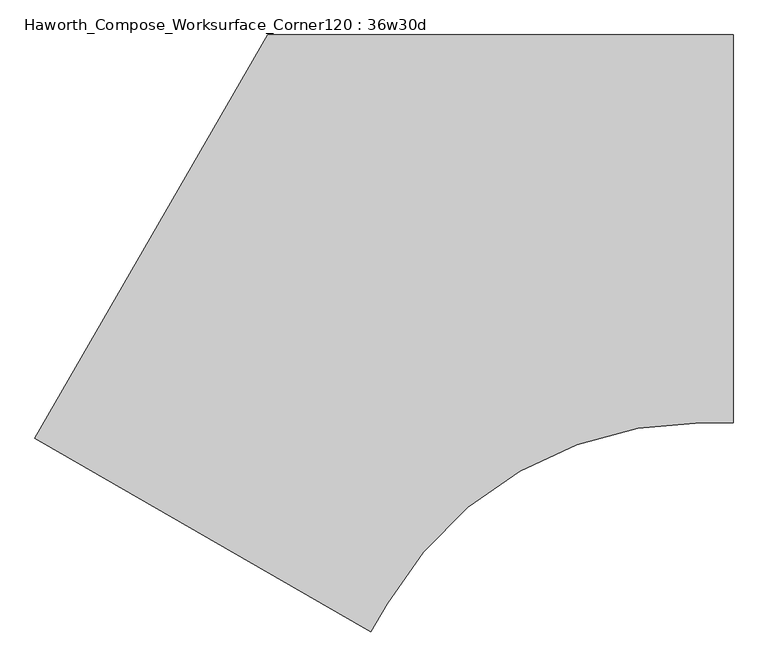
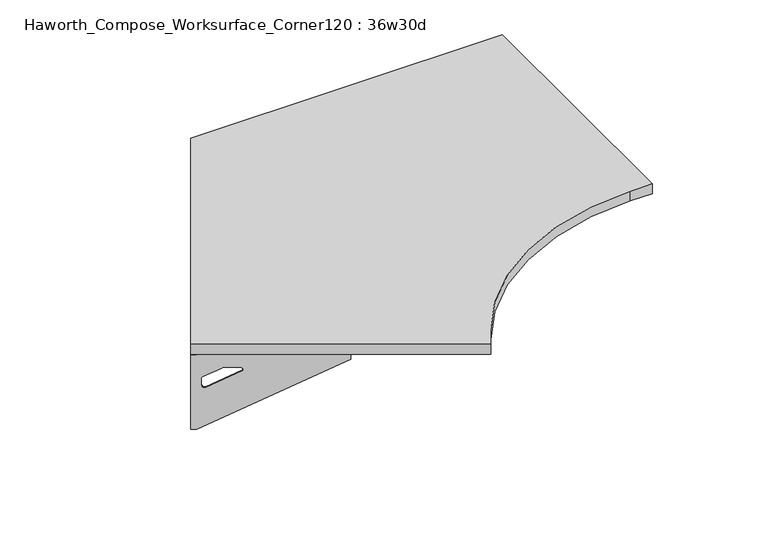
"""IFC4 building model written with IfcOpenShell, lengths in millimetres: furniture geometry, Haworth_Compose_Worksurface_Corner120 : 36w30d."""

from ifc_helpers import new_model, si_unit, point, frame, frame_2d, origin, place, context, project, spatial, polyline, circle_curve, trimmed, segment, composite_curve, outline, extrude, source, transform, mapped, element, save
from ifc_brep_helpers import plane_surface, revolved_surface, advanced_brep


def haworth_compose_worksurface_corner120_36w30d_84d35384(model_context):
    return source(origin(), model_context, "Body", "SolidModel", [
        advanced_brep(
        [(150.01875, 304.8, 473.86875), (150.01875, 288.925, 473.86875), (150.01875, -101.6, 690.1317568), (150.01875, -101.6, 702.46875), (150.01875, 288.925, 702.46875), (150.01875, 304.8, 702.46875), (150.01875, 221.490072, 664.36875), (150.01875, 177.8355284, 664.36875), (150.01875, 175.1564235, 654.7830539), (150.01875, 266.8776173, 603.9901439), (150.01875, 276.225, 609.5881969), (150.01875, 276.225, 633.0985246), (150.01875, 274.4730055, 635.9367776), (150.01875, 224.5663437, 663.5738425), (152.4, 304.8, 473.86875), (152.4, 304.8, 702.46875), (152.4, 288.925, 702.46875), (152.4, 288.925, 704.85), (152.4, -101.6, 704.85), (152.4, -101.6, 690.1317568), (152.4, 288.925, 473.86875), (152.4, 221.490072, 664.36875), (152.4, 224.5663437, 663.5738425), (152.4, 274.4730055, 635.9367776), (152.4, 276.225, 633.0985246), (152.4, 276.225, 609.5881969), (152.4, 266.8776173, 603.9901439), (152.4, 175.1564235, 654.7830539), (152.4, 177.8355284, 664.36875), (111.125, -101.6, 704.85), (111.125, -101.6, 702.46875), (111.125, 288.925, 702.46875), (111.125, 288.925, 704.85)],
        [
            (0, 1),
            (1, 2),
            (2, 3),
            (3, 4),
            (4, 5),
            (5, 0),
            (6, 7),
            (7, 8, circle_curve(frame((150.01875, 177.8355284, 659.2015106), z_axis=(1.0, 0.0, 0.0), x_axis=(0.0, -1.0, 0.0)), 5.1672394)),
            (8, 9),
            (9, 10, circle_curve(frame((150.01875, 269.875, 609.5881969), z_axis=(1.0, 0.0, 0.0), x_axis=(0.0, -1.0, 0.0)), 6.35)),
            (10, 11),
            (11, 12, circle_curve(frame((150.01875, 273.05, 633.0985246), z_axis=(1.0, 0.0, 0.0), x_axis=(0.0, -1.0, 0.0)), 3.175)),
            (12, 13),
            (13, 6, circle_curve(frame((150.01875, 221.490072, 658.01875), z_axis=(1.0, 0.0, 0.0), x_axis=(0.0, -1.0, 0.0)), 6.35)),
            (14, 15),
            (15, 16),
            (16, 17),
            (17, 18),
            (18, 19),
            (19, 20),
            (20, 14),
            (21, 22, circle_curve(frame((152.4, 221.490072, 658.01875), z_axis=(-1.0, 0.0, 0.0), x_axis=(0.0, -1.0, 0.0)), 6.35)),
            (22, 23),
            (23, 24, circle_curve(frame((152.4, 273.05, 633.0985246), z_axis=(-1.0, 0.0, 0.0), x_axis=(0.0, -1.0, 0.0)), 3.175)),
            (24, 25),
            (25, 26, circle_curve(frame((152.4, 269.875, 609.5881969), z_axis=(-1.0, 0.0, 0.0), x_axis=(0.0, -1.0, 0.0)), 6.35)),
            (26, 27),
            (27, 28, circle_curve(frame((152.4, 177.8355284, 659.2015106), z_axis=(-1.0, 0.0, 0.0), x_axis=(0.0, -1.0, 0.0)), 5.1672394)),
            (28, 21),
            (4, 16),
            (15, 5),
            (14, 0),
            (20, 1),
            (19, 2),
            (18, 29),
            (29, 30),
            (30, 3),
            (6, 21),
            (28, 7),
            (9, 26),
            (25, 10),
            (24, 11),
            (23, 12),
            (27, 8),
            (31, 4),
            (30, 31),
            (32, 29),
            (17, 32),
            (31, 32),
            (22, 13),
        ],
        [
            plane_surface(frame((150.01875, 304.8, 473.86875), z_axis=(-1.0, 0.0, 0.0), x_axis=(0.0, 1.0, 0.0))),
            plane_surface(frame((152.4, 304.8, 473.86875), z_axis=(1.0, 0.0, 0.0), x_axis=(0.0, -1.0, 0.0))),
            plane_surface(frame((152.4, -101.6, 702.46875), z_axis=(0.0, 0.0, 1.0), x_axis=(-1.0, 0.0, 0.0))),
            plane_surface(frame((152.4, 304.8, 702.46875), z_axis=(0.0, 1.0, 0.0), x_axis=(-1.0, 0.0, 0.0))),
            plane_surface(frame((152.4, 304.8, 473.86875), z_axis=(0.0, 0.0, -1.0), x_axis=(-1.0, 0.0, 0.0))),
            plane_surface(frame((152.4, 288.925, 473.86875), z_axis=(0.0, -0.4844522351345575, -0.8748177135112957), x_axis=(-1.0, 0.0, 0.0))),
            plane_surface(frame((152.4, -101.6, 690.1317568), z_axis=(0.0, -1.0, 0.0), x_axis=(-1.0, 0.0, 0.0))),
            plane_surface(frame((152.4, 221.490072, 664.36875), z_axis=(0.0, 0.0, -1.0), x_axis=(-1.0, 0.0, 0.0))),
            revolved_surface(polyline([(150.01875, 263.525, 609.5881969), (152.4, 263.525, 609.5881969)]), (152.4, 269.875, 609.5881969), (-1.0, 0.0, 0.0)),
            plane_surface(frame((152.4, 276.225, 609.5881969), z_axis=(0.0, -1.0, 0.0), x_axis=(-1.0, 0.0, 0.0))),
            revolved_surface(polyline([(150.01875, 269.875, 633.0985246), (152.4, 269.875, 633.0985246)]), (152.4, 273.05, 633.0985246), (-1.0, 0.0, 0.0)),
            revolved_surface(polyline([(150.01875, 172.668289, 659.2015106), (152.4, 172.668289, 659.2015106)]), (152.4, 177.8355284, 659.2015106), (-1.0, 0.0, 0.0)),
            plane_surface(frame((152.4, 288.925, 702.46875), z_axis=(0.0, 0.0, -1.0), x_axis=(-1.0, 0.0, 0.0))),
            plane_surface(frame((152.4, 288.925, 704.85), z_axis=(0.0, 0.0, 1.0), x_axis=(1.0, 0.0, 0.0))),
            plane_surface(frame((111.125, 288.925, 704.85), z_axis=(0.0, 1.0, 0.0), x_axis=(0.0, 0.0, -1.0))),
            plane_surface(frame((111.125, -101.6, 704.85), z_axis=(-1.0, 0.0, 0.0), x_axis=(0.0, 0.0, -1.0))),
            plane_surface(frame((152.4, 175.1564235, 654.7830539), z_axis=(0.0, 0.4844522351341526, 0.8748177135115199), x_axis=(-1.0, 0.0, 0.0))),
            plane_surface(frame((152.4, 274.4730055, 635.9367776), z_axis=(0.0, -0.48445223513456226, -0.874817713511293), x_axis=(-1.0, 0.0, 0.0))),
            revolved_surface(polyline([(150.01875, 215.140072, 658.01875), (152.4, 215.140072, 658.01875)]), (152.4, 221.490072, 658.01875), (-1.0, 0.0, 0.0)),
        ],
        [
            (0, [[1, 2, 3, 4, 5, 6], [7, 8, 9, 10, 11, 12, 13, 14]]),
            (1, [[15, 16, 17, 18, 19, 20, 21], [22, 23, 24, 25, 26, 27, 28, 29]]),
            (2, [[-5, 30, -16, 31]]),
            (3, [[-31, -15, 32, -6]]),
            (4, [[-32, -21, 33, -1]]),
            (5, [[-33, -20, 34, -2]]),
            (6, [[-34, -19, 35, 36, 37, -3]]),
            (7, [[38, -29, 39, -7]]),
            (8, [[40, -26, 41, -10]]),
            (9, [[-41, -25, 42, -11]]),
            (10, [[-42, -24, 43, -12]]),
            (11, [[-39, -28, 44, -8]]),
            (12, [[45, -4, -37, 46]]),
            (13, [[47, -35, -18, 48]]),
            (14, [[-17, -30, -45, 49, -48]]),
            (15, [[-36, -47, -49, -46]]),
            (16, [[-44, -27, -40, -9]]),
            (17, [[-43, -23, 50, -13]]),
            (18, [[-50, -22, -38, -14]]),
        ],
    ),
        advanced_brep(
        [(-1218.009375, -485.0314062, 473.86875), (-1218.009375, -485.0314062, 702.46875), (-1204.2612217, -492.9689062, 702.46875), (-866.0566509, -688.2314062, 702.46875), (-866.0566509, -688.2314062, 690.1317568), (-1204.2612217, -492.9689062, 473.86875), (-1145.860861, -526.6863702, 664.36875), (-1148.5249904, -525.1482344, 663.5738425), (-1191.7454274, -500.1949035, 635.9367776), (-1193.2626991, -499.3189062, 633.0985246), (-1193.2626991, -499.3189062, 609.5881969), (-1185.1676282, -503.9925976, 603.9901439), (-1105.7347443, -549.8531945, 654.7830539), (-1108.0549172, -548.513642, 664.36875), (-1219.2, -487.0936292, 473.86875), (-1205.4518467, -495.0311292, 473.86875), (-867.2472759, -690.2936292, 690.1317568), (-867.2472759, -690.2936292, 704.85), (-1205.4518467, -495.0311292, 704.85), (-1205.4518467, -495.0311292, 702.46875), (-1219.2, -487.0936292, 702.46875), (-1147.051486, -528.7485932, 664.36875), (-1109.2455422, -550.575865, 664.36875), (-1106.9253693, -551.9154175, 654.7830539), (-1186.3582532, -506.0548206, 603.9901439), (-1194.4533241, -501.3811292, 609.5881969), (-1194.4533241, -501.3811292, 633.0985246), (-1192.9360524, -502.2571265, 635.9367776), (-1149.7156154, -527.2104574, 663.5738425), (-846.6097759, -654.5484307, 702.46875), (-846.6097759, -654.5484307, 704.85), (-1184.8143467, -459.2859307, 702.46875), (-1184.8143467, -459.2859307, 704.85)],
        [
            (0, 1),
            (1, 2),
            (2, 3),
            (3, 4),
            (4, 5),
            (5, 0),
            (6, 7, circle_curve(frame((-1145.860861, -526.6863702, 658.01875), z_axis=(-0.5000000000000026, -0.8660254037844374, 0.0), x_axis=(0.8660254037844372, -0.5000000000000024, 0.0)), 6.35)),
            (7, 8),
            (8, 9, circle_curve(frame((-1190.5130684, -500.9064062, 633.0985246), z_axis=(-0.5000000000000026, -0.8660254037844374, 0.0), x_axis=(0.8660254037844372, -0.5000000000000024, 0.0)), 3.175)),
            (9, 10),
            (10, 11, circle_curve(frame((-1187.7634378, -502.4939062, 609.5881969), z_axis=(-0.5000000000000026, -0.8660254037844374, 0.0), x_axis=(0.8660254037844372, -0.5000000000000024, 0.0)), 6.35)),
            (11, 12),
            (12, 13, circle_curve(frame((-1108.0549172, -548.513642, 659.2015106), z_axis=(-0.5000000000000026, -0.8660254037844374, 0.0), x_axis=(0.8660254037844372, -0.5000000000000024, 0.0)), 5.1672394)),
            (13, 6),
            (14, 15),
            (15, 16),
            (16, 17),
            (17, 18),
            (18, 19),
            (19, 20),
            (20, 14),
            (21, 22),
            (22, 23, circle_curve(frame((-1109.2455422, -550.575865, 659.2015106), z_axis=(0.5000000000000026, 0.8660254037844374, 0.0), x_axis=(0.8660254037844372, -0.5000000000000024, 0.0)), 5.1672394)),
            (23, 24),
            (24, 25, circle_curve(frame((-1188.9540628, -504.5561292, 609.5881969), z_axis=(0.5000000000000026, 0.8660254037844374, 0.0), x_axis=(0.8660254037844372, -0.5000000000000024, 0.0)), 6.35)),
            (25, 26),
            (26, 27, circle_curve(frame((-1191.7036934, -502.9686292, 633.0985246), z_axis=(0.5000000000000026, 0.8660254037844374, 0.0), x_axis=(0.8660254037844372, -0.5000000000000024, 0.0)), 3.175)),
            (27, 28),
            (28, 21, circle_curve(frame((-1147.051486, -528.7485932, 658.01875), z_axis=(0.5000000000000026, 0.8660254037844374, 0.0), x_axis=(0.8660254037844372, -0.5000000000000024, 0.0)), 6.35)),
            (1, 20),
            (19, 2),
            (0, 14),
            (5, 15),
            (4, 16),
            (3, 29),
            (29, 30),
            (30, 17),
            (13, 22),
            (21, 6),
            (10, 25),
            (24, 11),
            (9, 26),
            (8, 27),
            (12, 23),
            (31, 29),
            (2, 31),
            (32, 18),
            (30, 32),
            (32, 31),
            (7, 28),
        ],
        [
            plane_surface(frame((-1218.009375, -485.0314062, 473.86875), z_axis=(0.5000000000000026, 0.8660254037844373, 0.0), x_axis=(-0.8660254037844373, 0.5000000000000026, 0.0))),
            plane_surface(frame((-1219.2, -487.0936292, 473.86875), z_axis=(-0.5000000000000026, -0.8660254037844373, 0.0), x_axis=(0.8660254037844373, -0.5000000000000026, 0.0))),
            plane_surface(frame((-867.2472759, -690.2936292, 702.46875), z_axis=(0.0, 0.0, 1.0), x_axis=(0.5000000000000011, 0.866025403784438, 0.0))),
            plane_surface(frame((-1219.2, -487.0936292, 702.46875), z_axis=(-0.866025403784438, 0.5000000000000011, 0.0), x_axis=(0.5000000000000011, 0.866025403784438, 0.0))),
            plane_surface(frame((-1219.2, -487.0936292, 473.86875), z_axis=(0.0, 0.0, -1.0), x_axis=(0.5000000000000011, 0.866025403784438, 0.0))),
            plane_surface(frame((-1205.4518467, -495.0311292, 473.86875), z_axis=(0.41954794254667943, -0.24222611756727808, -0.8748177135112957), x_axis=(0.5000000000000011, 0.866025403784438, 0.0))),
            plane_surface(frame((-867.2472759, -690.2936292, 690.1317568), z_axis=(0.866025403784438, -0.5000000000000011, 0.0), x_axis=(0.5000000000000011, 0.866025403784438, 0.0))),
            plane_surface(frame((-1147.051486, -528.7485932, 664.36875), z_axis=(0.0, 0.0, -1.0), x_axis=(0.5000000000000011, 0.866025403784438, 0.0))),
            revolved_surface(polyline([(-1182.2641764793268, -505.66890619573394, 609.5881969), (-1183.4548014983855, -507.7311292215063, 609.5881969)]), (-1188.9540628, -504.5561292, 609.5881969), (0.5000000000000024, 0.8660254037844372, 0.0)),
            plane_surface(frame((-1194.4533241, -501.3811292, 609.5881969), z_axis=(0.866025403784438, -0.5000000000000011, 0.0), x_axis=(0.5000000000000011, 0.866025403784438, 0.0))),
            revolved_surface(polyline([(-1187.7634377398501, -502.49390620180964, 633.0985246), (-1188.954062786454, -504.5561292752913, 633.0985246)]), (-1191.7036934, -502.9686292, 633.0985246), (0.5000000000000024, 0.8660254037844372, 0.0)),
            revolved_surface(polyline([(-1103.57995660903, -551.0972617018095, 659.2015106), (-1104.7705816345158, -553.1594847387139, 659.2015106)]), (-1109.2455422, -550.575865, 659.2015106), (0.5000000000000024, 0.8660254037844372, 0.0)),
            plane_surface(frame((-1205.4518467, -495.0311292, 702.46875), z_axis=(0.0, 0.0, -1.0), x_axis=(0.5000000000000011, 0.866025403784438, 0.0))),
            plane_surface(frame((-1205.4518467, -495.0311292, 704.85), z_axis=(0.0, 0.0, 1.0), x_axis=(-0.5000000000000011, -0.866025403784438, 0.0))),
            plane_surface(frame((-1184.8143467, -459.2859307, 704.85), z_axis=(-0.866025403784438, 0.5000000000000011, 0.0), x_axis=(0.0, 0.0, -1.0))),
            plane_surface(frame((-846.6097759, -654.5484307, 704.85), z_axis=(0.5000000000000011, 0.866025403784438, 0.0), x_axis=(0.0, 0.0, -1.0))),
            plane_surface(frame((-1106.9253693, -551.9154175, 654.7830539), z_axis=(-0.41954794254632877, 0.24222611756707563, 0.87481771351152), x_axis=(0.5000000000000011, 0.866025403784438, 0.0))),
            plane_surface(frame((-1192.9360524, -502.2571265, 635.9367776), z_axis=(0.4195479425466836, -0.24222611756728046, -0.874817713511293), x_axis=(0.5000000000000011, 0.866025403784438, 0.0))),
            revolved_surface(polyline([(-1140.3615996828346, -529.8613702018097, 658.01875), (-1141.5522246973337, -531.9235932196844, 658.01875)]), (-1147.051486, -528.7485932, 658.01875), (0.5000000000000024, 0.8660254037844372, 0.0)),
        ],
        [
            (0, [[1, 2, 3, 4, 5, 6], [7, 8, 9, 10, 11, 12, 13, 14]]),
            (1, [[15, 16, 17, 18, 19, 20, 21], [22, 23, 24, 25, 26, 27, 28, 29]]),
            (2, [[30, -20, 31, -2]]),
            (3, [[-1, 32, -21, -30]]),
            (4, [[-6, 33, -15, -32]]),
            (5, [[-5, 34, -16, -33]]),
            (6, [[-4, 35, 36, 37, -17, -34]]),
            (7, [[-14, 38, -22, 39]]),
            (8, [[-11, 40, -25, 41]]),
            (9, [[-10, 42, -26, -40]]),
            (10, [[-9, 43, -27, -42]]),
            (11, [[-13, 44, -23, -38]]),
            (12, [[45, -35, -3, 46]]),
            (13, [[47, -18, -37, 48]]),
            (14, [[-47, 49, -46, -31, -19]]),
            (15, [[-45, -49, -48, -36]]),
            (16, [[-12, -41, -24, -44]]),
            (17, [[-8, 50, -28, -43]]),
            (18, [[-7, -39, -29, -50]]),
        ],
    ),
        extrude(outline(composite_curve([segment(polyline([(-1219.2, -487.0936292), (-762.0, 304.8), (152.4, 304.8), (152.4, -457.2), (88.5524166, -457.2)]), True, "CONTINUOUS"), segment(trimmed(circle_curve(frame_2d((88.5524166, -1168.4)), 711.2), [point((88.5524166, -457.2))], [point((-527.3648506, -812.8))], True, "CARTESIAN"), True, "CONTINUOUS"), segment(polyline([(-527.3648506, -812.8), (-559.2886423, -868.0936292), (-1219.2, -487.0936292)]), True, "CONTINUOUS")], self_intersect=False)), frame((0.0, 0.0, 706.4375), z_axis=(0.0, 0.0, 1.0), x_axis=(1.0, 0.0, 0.0)), (0.0, 0.0, 1.0), 30.1625),
    ])


if __name__ == "__main__":
    model = new_model("IFC4")
    model_context = context("Model", 3, world=origin())
    ifc_project = project(units=[si_unit("LENGTHUNIT", "METRE", prefix="MILLI")], contexts=[model_context])
    site = spatial("IfcSite", under=ifc_project)
    building = spatial("IfcBuilding", under=site)
    placement = place(None, origin())
    haworth_compose_worksurface_corner120_36w30d_shape = haworth_compose_worksurface_corner120_36w30d_84d35384(model_context)
    element("IfcFurniture", 1, ObjectType="Haworth_Compose_Worksurface_Corner120 : 36w30d", at=placement, inside=building, context=model_context, shape_type="MappedRepresentation", body=[
        mapped(haworth_compose_worksurface_corner120_36w30d_shape, transform((0.0, 0.0, 0.0), x_axis=(1.0, 0.0, 0.0), y_axis=(0.0, 1.0, 0.0), z_axis=(0.0, 0.0, 1.0))),
    ])
    save(model, "model.ifc")
